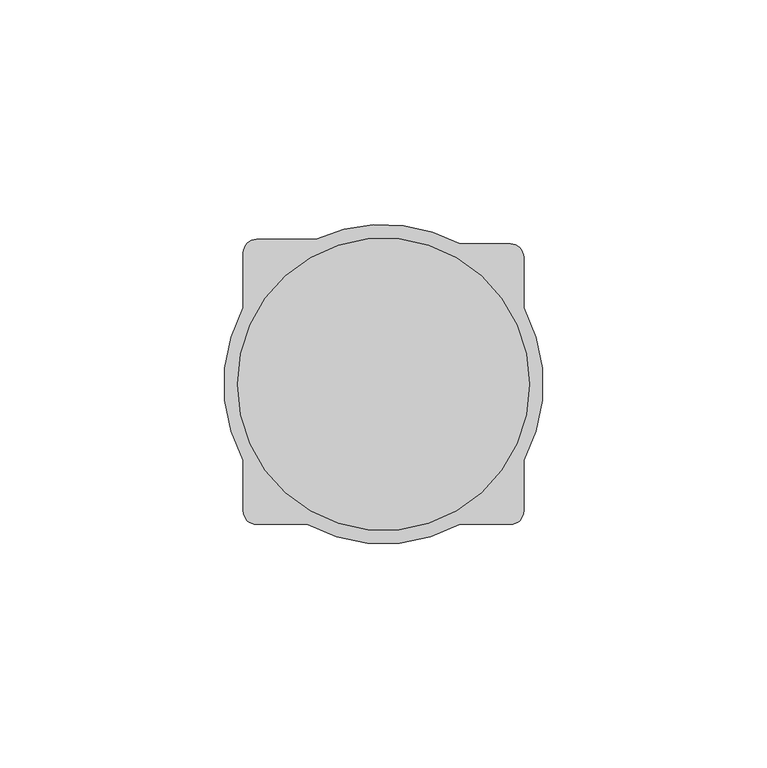
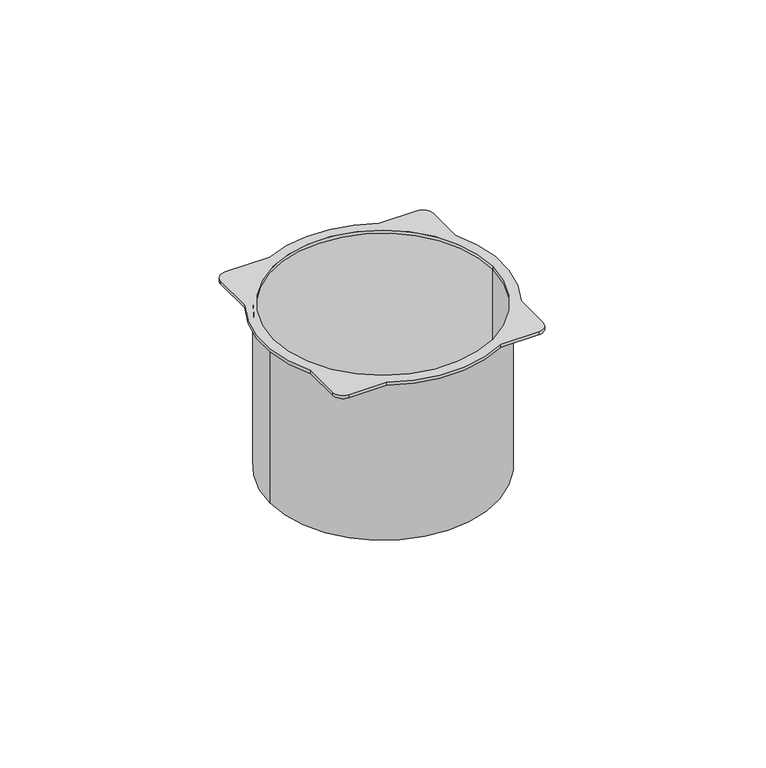
"""IFC4 building model written with IfcOpenShell, lengths in millimetres: proxy geometry."""

from ifc_helpers import new_model, si_unit, point, frame, origin, origin_with_axes, origin_2d, place, context, project, spatial, polyline, circle_curve, trimmed, segment, composite_curve, outline, extrude, source, transform, mapped, element, save
from ifc_brep_helpers import plane_surface, cylinder_surface, revolved_surface, advanced_brep


def electrical_fixtures_0d016477(model_context):
    return source(origin(), model_context, "Body", "SolidModel", [
        advanced_brep(
        [(33.5, 0.0, -50.0), (-33.5, 0.0, -50.0), (32.5, 0.0, -50.0), (-32.5, 0.0, -50.0), (-32.5, 0.0, 0.0), (32.5, 0.0, 0.0), (-33.5, 0.0, 0.0), (33.5, 0.0, 0.0), (31.1875, -16.9584741, 1.0), (31.1875, 16.9584741, 1.0), (31.1875, 28.1875, 1.0), (28.1875, 31.1875, 1.0), (16.9584741, 31.1875, 1.0), (-14.9738053, 32.1875, 1.0), (-28.1875, 32.1875, 1.0), (-31.1875, 29.1875, 1.0), (-31.1875, 16.9584741, 1.0), (-31.1875, -16.9584741, 1.0), (-31.1875, -28.1875, 1.0), (-28.1875, -31.1875, 1.0), (-16.9584741, -31.1875, 1.0), (16.9584741, -31.1875, 1.0), (28.1875, -31.1875, 1.0), (31.1875, -28.1875, 1.0), (-32.5, 0.0, 1.0), (32.5, 0.0, 1.0), (31.1875, -16.9584741, 0.0), (31.1875, -28.1875, 0.0), (28.1875, -31.1875, 0.0), (16.9584741, -31.1875, 0.0), (-16.9584741, -31.1875, 0.0), (-28.1875, -31.1875, 0.0), (-31.1875, -28.1875, 0.0), (-31.1875, -16.9584741, 0.0), (-31.1875, 16.9584741, 0.0), (-31.1875, 29.1875, 0.0), (-28.1875, 32.1875, 0.0), (-14.9738053, 32.1875, 0.0), (16.9584741, 31.1875, 0.0), (28.1875, 31.1875, 0.0), (31.1875, 28.1875, 0.0), (31.1875, 16.9584741, 0.0)],
        [
            (0, 1, circle_curve(frame((0.0, 0.0, -50.0), z_axis=(0.0, 0.0, -1.0), x_axis=(1.0, 0.0, 0.0)), 33.5)),
            (1, 0, circle_curve(frame((0.0, 0.0, -50.0), z_axis=(0.0, 0.0, -1.0), x_axis=(1.0, 0.0, 0.0)), 33.5)),
            (2, 3, circle_curve(frame((0.0, 0.0, -50.0), z_axis=(0.0, 0.0, 1.0), x_axis=(1.0, 0.0, 0.0)), 32.5)),
            (3, 2, circle_curve(frame((0.0, 0.0, -50.0), z_axis=(0.0, 0.0, 1.0), x_axis=(1.0, 0.0, 0.0)), 32.5)),
            (3, 4),
            (4, 5, circle_curve(origin_with_axes(), 32.5)),
            (5, 2),
            (5, 4, circle_curve(origin_with_axes(), 32.5)),
            (1, 6),
            (6, 7, circle_curve(frame((0.0, 0.0, 0.0), z_axis=(0.0, 0.0, -1.0), x_axis=(1.0, 0.0, 0.0)), 33.5)),
            (7, 0),
            (7, 6, circle_curve(frame((0.0, 0.0, 0.0), z_axis=(0.0, 0.0, -1.0), x_axis=(1.0, 0.0, 0.0)), 33.5)),
            (8, 9, circle_curve(frame((0.0, 0.0, 1.0), z_axis=(0.0, 0.0, 1.0), x_axis=(1.0, 0.0, 0.0)), 35.5)),
            (9, 10),
            (10, 11, circle_curve(frame((28.1875, 28.1875, 1.0), z_axis=(0.0, 0.0, 1.0), x_axis=(-1.0, 0.0, 0.0)), 3.0)),
            (11, 12),
            (12, 13, circle_curve(frame((0.0, 0.0, 1.0), z_axis=(0.0, 0.0, 1.0), x_axis=(1.0, 0.0, 0.0)), 35.5)),
            (13, 14),
            (14, 15, circle_curve(frame((-28.1875, 29.1875, 1.0), z_axis=(0.0, 0.0, 1.0), x_axis=(1.0, 0.0, 0.0)), 3.0)),
            (15, 16),
            (16, 17, circle_curve(frame((0.0, 0.0, 1.0), z_axis=(0.0, 0.0, 1.0), x_axis=(1.0, 0.0, 0.0)), 35.5)),
            (17, 18),
            (18, 19, circle_curve(frame((-28.1875, -28.1875, 1.0), z_axis=(0.0, 0.0, 1.0), x_axis=(1.0, 0.0, 0.0)), 3.0)),
            (19, 20),
            (20, 21, circle_curve(frame((0.0, 0.0, 1.0), z_axis=(0.0, 0.0, 1.0), x_axis=(1.0, 0.0, 0.0)), 35.5)),
            (21, 22),
            (22, 23, circle_curve(frame((28.1875, -28.1875, 1.0), z_axis=(0.0, 0.0, 1.0), x_axis=(-1.0, 0.0, 0.0)), 3.0)),
            (23, 8),
            (24, 25, circle_curve(frame((0.0, 0.0, 1.0), z_axis=(0.0, 0.0, -1.0), x_axis=(1.0, 0.0, 0.0)), 32.5)),
            (25, 24, circle_curve(frame((0.0, 0.0, 1.0), z_axis=(0.0, 0.0, -1.0), x_axis=(1.0, 0.0, 0.0)), 32.5)),
            (26, 27),
            (27, 28, circle_curve(frame((28.1875, -28.1875, 0.0), z_axis=(0.0, 0.0, -1.0), x_axis=(-1.0, 0.0, 0.0)), 3.0)),
            (28, 29),
            (29, 30, circle_curve(frame((0.0, 0.0, 0.0), z_axis=(0.0, 0.0, -1.0), x_axis=(1.0, 0.0, 0.0)), 35.5)),
            (30, 31),
            (31, 32, circle_curve(frame((-28.1875, -28.1875, 0.0), z_axis=(0.0, 0.0, -1.0), x_axis=(1.0, 0.0, 0.0)), 3.0)),
            (32, 33),
            (33, 34, circle_curve(frame((0.0, 0.0, 0.0), z_axis=(0.0, 0.0, -1.0), x_axis=(1.0, 0.0, 0.0)), 35.5)),
            (34, 35),
            (35, 36, circle_curve(frame((-28.1875, 29.1875, 0.0), z_axis=(0.0, 0.0, -1.0), x_axis=(1.0, 0.0, 0.0)), 3.0)),
            (36, 37),
            (37, 38, circle_curve(frame((0.0, 0.0, 0.0), z_axis=(0.0, 0.0, -1.0), x_axis=(1.0, 0.0, 0.0)), 35.5)),
            (38, 39),
            (39, 40, circle_curve(frame((28.1875, 28.1875, 0.0), z_axis=(0.0, 0.0, -1.0), x_axis=(-1.0, 0.0, 0.0)), 3.0)),
            (40, 41),
            (41, 26, circle_curve(frame((0.0, 0.0, 0.0), z_axis=(0.0, 0.0, -1.0), x_axis=(1.0, 0.0, 0.0)), 35.5)),
            (15, 35),
            (34, 16),
            (23, 27),
            (26, 8),
            (10, 40),
            (39, 11),
            (38, 12),
            (13, 37),
            (36, 14),
            (18, 32),
            (31, 19),
            (30, 20),
            (21, 29),
            (28, 22),
            (9, 41),
            (17, 33),
            (24, 4),
            (5, 25),
        ],
        [
            plane_surface(frame((32.5, 0.0, -50.0), z_axis=(0.0, 0.0, -1.0), x_axis=(0.0, 1.0, 0.0))),
            revolved_surface(polyline([(32.5, 0.0, -50.0), (32.5, 0.0, 0.0)]), (0.0, 0.0, -50.0), (0.0, 0.0, -1.0)),
            cylinder_surface(origin_with_axes(), 33.5),
            plane_surface(frame((35.5, 0.0, 1.0), z_axis=(0.0, 0.0, 1.0), x_axis=(0.0, 1.0, 0.0))),
            plane_surface(frame((35.5, 0.0, 0.0), z_axis=(0.0, 0.0, -1.0), x_axis=(0.0, -1.0, 0.0))),
            plane_surface(frame((-31.1875, 29.1875, 1.0), z_axis=(-1.0, 0.0, 0.0), x_axis=(0.0, 0.0, -1.0))),
            plane_surface(frame((31.1875, -28.1875, 1.0), z_axis=(1.0, 0.0, 0.0), x_axis=(0.0, 0.0, -1.0))),
            cylinder_surface(frame((28.1875, 28.1875, 0.0), z_axis=(0.0, 0.0, 1.0), x_axis=(-1.0, 0.0, 0.0)), 3.0),
            plane_surface(frame((28.1875, 31.1875, 1.0), z_axis=(0.0, 1.0, 0.0), x_axis=(0.0, 0.0, -1.0))),
            plane_surface(frame((-14.9738053, 32.1875, 1.0), z_axis=(0.0, 1.0, 0.0), x_axis=(0.0, 0.0, -1.0))),
            cylinder_surface(frame((-28.1875, 29.1875, 0.0), z_axis=(0.0, 0.0, 1.0), x_axis=(1.0, 0.0, 0.0)), 3.0),
            cylinder_surface(frame((-28.1875, -28.1875, 0.0), z_axis=(0.0, 0.0, 1.0), x_axis=(1.0, 0.0, 0.0)), 3.0),
            plane_surface(frame((-28.1875, -31.1875, 1.0), z_axis=(0.0, -1.0, 0.0), x_axis=(0.0, 0.0, -1.0))),
            plane_surface(frame((16.9584741, -31.1875, 1.0), z_axis=(0.0, -1.0, 0.0), x_axis=(0.0, 0.0, -1.0))),
            cylinder_surface(frame((28.1875, -28.1875, 0.0), z_axis=(0.0, 0.0, 1.0), x_axis=(-1.0, 0.0, 0.0)), 3.0),
            plane_surface(frame((31.1875, 16.9584741, 1.0), z_axis=(1.0, 0.0, 0.0), x_axis=(0.0, 0.0, -1.0))),
            plane_surface(frame((-31.1875, -16.9584741, 1.0), z_axis=(-1.0, 0.0, 0.0), x_axis=(0.0, 0.0, -1.0))),
            cylinder_surface(origin_with_axes(), 35.5),
            revolved_surface(polyline([(32.5, 0.0, 0.0), (32.5, 0.0, 1.0)]), (0.0, 0.0, 0.0), (0.0, 0.0, -1.0)),
        ],
        [
            (0, [[1, 2], [3, 4]]),
            (1, [[-4, 5, 6, 7]]),
            (1, [[-3, -7, 8, -5]]),
            (2, [[-2, 9, 10, 11]]),
            (2, [[-1, -11, 12, -9]]),
            (3, [[13, 14, 15, 16, 17, 18, 19, 20, 21, 22, 23, 24, 25, 26, 27, 28], [29, 30]]),
            (4, [[31, 32, 33, 34, 35, 36, 37, 38, 39, 40, 41, 42, 43, 44, 45, 46], [-10, -12]]),
            (5, [[-20, 47, -39, 48]]),
            (6, [[-28, 49, -31, 50]]),
            (7, [[-15, 51, -44, 52]]),
            (8, [[-16, -52, -43, 53]]),
            (9, [[-18, 54, -41, 55]]),
            (10, [[-19, -55, -40, -47]]),
            (11, [[-23, 56, -36, 57]]),
            (12, [[-24, -57, -35, 58]]),
            (13, [[-26, 59, -33, 60]]),
            (14, [[-27, -60, -32, -49]]),
            (15, [[-14, 61, -45, -51]]),
            (16, [[-22, 62, -37, -56]]),
            (17, [[-13, -50, -46, -61]]),
            (17, [[-17, -53, -42, -54]]),
            (17, [[-21, -48, -38, -62]]),
            (17, [[-25, -58, -34, -59]]),
            (18, [[-29, 63, -8, 64]]),
            (18, [[-30, -64, -6, -63]]),
        ],
    ),
        extrude(outline(composite_curve([segment(trimmed(circle_curve(origin_2d(), 32.5), [point((32.5, 0.0))], [point((-32.5, 0.0))], False, "CARTESIAN"), True, "CONTINUOUS"), segment(trimmed(circle_curve(origin_2d(), 32.5), [point((-32.5, 0.0))], [point((32.5, 0.0))], False, "CARTESIAN"), True, "CONTINUOUS")], self_intersect=False)), frame((0.0, 0.0, -50.0), z_axis=(0.0, 0.0, 1.0), x_axis=(1.0, 0.0, 0.0)), (0.0, 0.0, 1.0), 1.0),
    ])


if __name__ == "__main__":
    model = new_model("IFC4")
    model_context = context("Model", 3, world=origin())
    ifc_project = project(units=[si_unit("LENGTHUNIT", "METRE", prefix="MILLI")], contexts=[model_context])
    site = spatial("IfcSite", under=ifc_project)
    building = spatial("IfcBuilding", under=site)
    placement = place(None, origin())
    electrical_fixtures_shape = electrical_fixtures_0d016477(model_context)
    element("IfcBuildingElementProxy", 1, Name="Electrical Fixtures", at=placement, inside=building, context=model_context, shape_type="MappedRepresentation", body=[
        mapped(electrical_fixtures_shape, transform((0.0, 0.0, 0.0), x_axis=(1.0, 0.0, 0.0), y_axis=(0.0, 1.0, 0.0), z_axis=(0.0, 0.0, 1.0))),
    ])
    save(model, "model.ifc")
